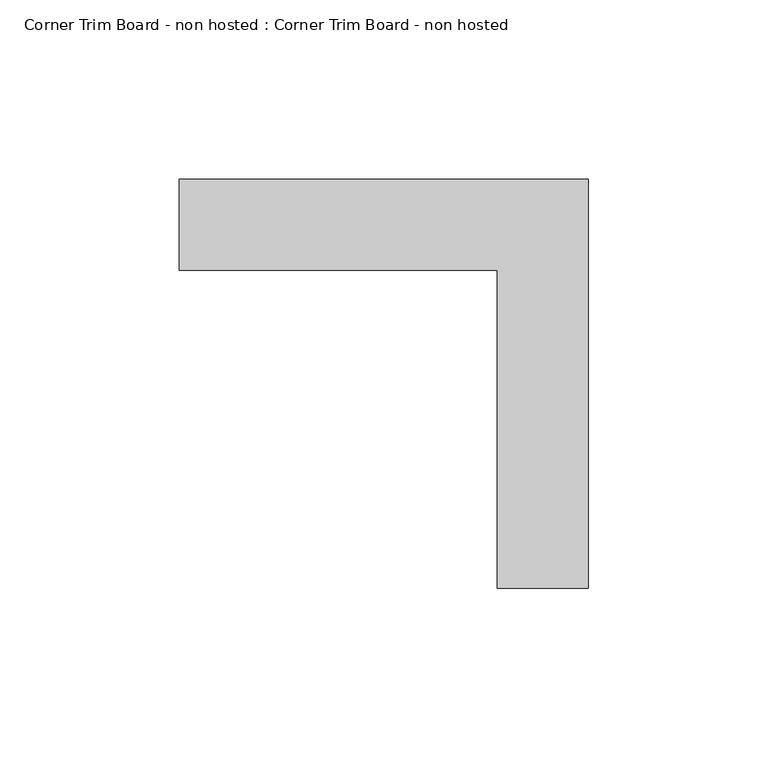
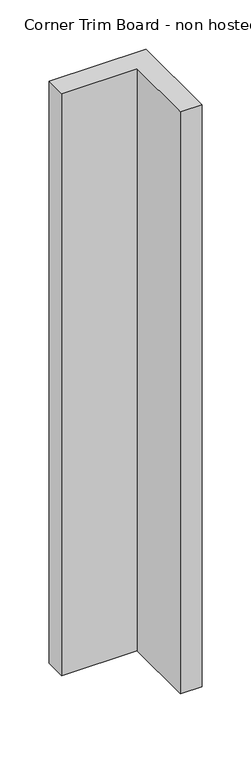
"""IFC4 building model written with IfcOpenShell, lengths in millimetres: proxy geometry, Corner Trim Board - non hosted : Corner Trim Board - non hosted."""

from ifc_helpers import new_model, si_unit, origin, origin_with_axes, place, context, project, spatial, polyline, outline, extrude, source, transform, mapped, element, save


def corner_trim_board_non_hosted_corner_trim_board_non_hosted_0344a1e0(model_context):
    return source(origin(), model_context, "Body", "SweptSolid", [
        extrude(outline(polyline([(-84.6056616, 25.4), (29.6943384, 25.4), (29.6943384, -88.9), (4.2943384, -88.9), (4.2943384, 0.0), (-84.6056616, 0.0), (-84.6056616, 25.4)])), origin_with_axes(), (0.0, 0.0, 1.0), 723.9),
    ])


if __name__ == "__main__":
    model = new_model("IFC4")
    model_context = context("Model", 3, world=origin())
    ifc_project = project(units=[si_unit("LENGTHUNIT", "METRE", prefix="MILLI")], contexts=[model_context])
    site = spatial("IfcSite", under=ifc_project)
    building = spatial("IfcBuilding", under=site)
    placement = place(None, origin())
    corner_trim_board_non_hosted_corner_trim_board_non_hosted_shape = corner_trim_board_non_hosted_corner_trim_board_non_hosted_0344a1e0(model_context)
    element("IfcBuildingElementProxy", 1, Name="Corner Trim Board - non hosted : Corner Trim Board - non hosted", ObjectType="Corner Trim Board - non hosted : Corner Trim Board - non hosted", at=placement, inside=building, context=model_context, shape_type="MappedRepresentation", body=[
        mapped(corner_trim_board_non_hosted_corner_trim_board_non_hosted_shape, transform((0.0, 0.0, 0.0), x_axis=(1.0, 0.0, 0.0), y_axis=(0.0, 1.0, 0.0), z_axis=(0.0, 0.0, 1.0))),
    ])
    save(model, "model.ifc")
